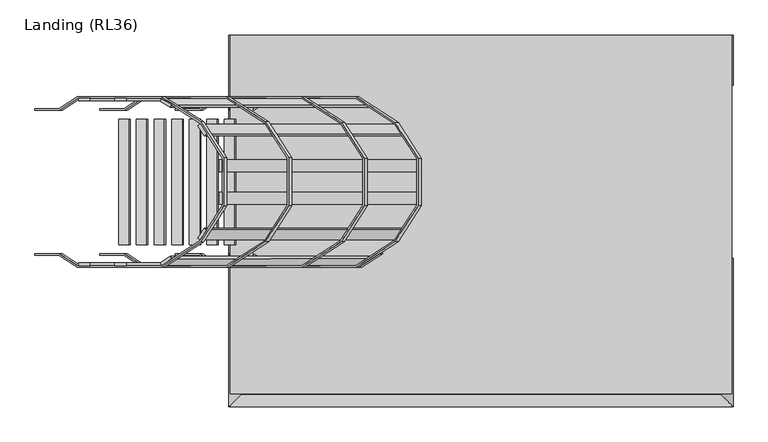
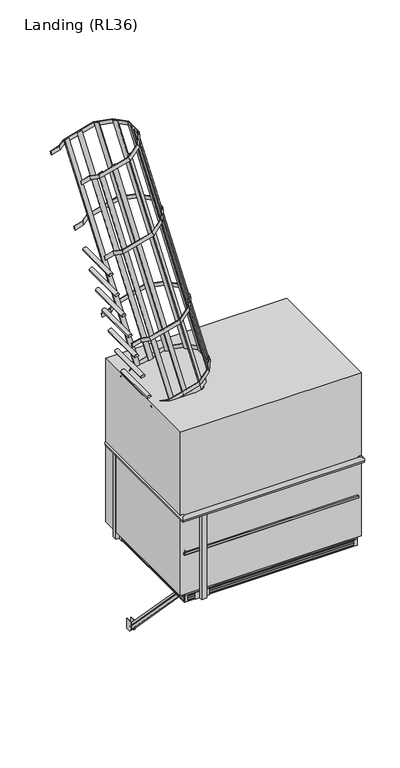
"""IFC4 building model written with IfcOpenShell, lengths in millimetres: proxy geometry, Landing (RL36)."""

from ifc_helpers import new_model, si_unit, point, frame, frame_2d, origin, place, context, project, spatial, polyline, circle_curve, ellipse_curve, trimmed, segment, composite_curve, outline, extrude, faceted_brep, source, transform, mapped, element, save
from ifc_brep_helpers import plane_surface, cylinder_surface, advanced_brep


def landing_rl36_4dc8eabb(model_context):
    return source(origin(), model_context, "Body", "SolidModel", [
        faceted_brep([(-1570.6646856, 123.4263393, 3650.8567388), (-1570.6646856, 140.7175481, 3667.5004794), (-1566.6646856, 140.7175481, 3667.5004794), (-1566.6646856, 148.2824519, 3674.7821159), (-1570.6646856, 148.2824519, 3674.7821159), (-1570.6646856, 165.5736607, 3691.4258565), (-1532.1646856, 165.5736607, 3691.4258565), (-1532.1646856, 148.2824519, 3674.7821159), (-1536.1646856, 148.2824519, 3674.7821159), (-1536.1646856, 140.7175481, 3667.5004794), (-1532.1646856, 140.7175481, 3667.5004794), (-1532.1646856, 123.4263393, 3650.8567388), (-1570.6646856, -983.0891868, 4801.2106317), (-1532.1646856, -983.0891868, 4801.2106317), (-1532.1646856, -965.3553906, 4817.381979), (-1536.1646856, -965.3553906, 4817.381979), (-1536.1646856, -957.5968548, 4824.4569434), (-1532.1646856, -957.5968548, 4824.4569434), (-1532.1646856, -939.8630585, 4840.6282906), (-1570.6646856, -939.8630585, 4840.6282906), (-1570.6646856, -957.5968548, 4824.4569434), (-1566.6646856, -957.5968548, 4824.4569434), (-1566.6646856, -965.3553906, 4817.381979), (-1570.6646856, -965.3553906, 4817.381979), (-1570.6646856, -969.3472449, 4786.140966), (-1570.6646856, -951.8315568, 4802.5514945), (-1566.6646856, -951.8315568, 4802.5514945), (-1566.6646856, -944.1684432, 4809.7311008), (-1570.6646856, -944.1684432, 4809.7311008), (-1570.6646856, -926.6527551, 4826.1416293), (-1532.1646856, -926.6527551, 4826.1416293), (-1532.1646856, -944.1684432, 4809.7311008), (-1536.1646856, -944.1684432, 4809.7311008), (-1536.1646856, -951.8315568, 4802.5514945), (-1532.1646856, -951.8315568, 4802.5514945), (-1532.1646856, -969.3472449, 4786.140966)], [[[0, 1, 2, 3, 4, 5, 6, 7, 8, 9, 10, 11]], [[12, 13, 14, 15, 16, 17, 18, 19, 20, 21, 22, 23]], [[1, 0, 24, 12, 23, 25]], [[2, 1, 25, 26]], [[3, 2, 26, 22, 21, 27]], [[4, 3, 27, 28]], [[5, 4, 28, 20, 19, 29]], [[6, 5, 29, 30]], [[7, 6, 30, 18, 17, 31]], [[8, 7, 31, 32]], [[9, 8, 32, 16, 15, 33]], [[10, 9, 33, 34]], [[11, 10, 34, 14, 13, 35]], [[0, 11, 35, 24]], [[26, 25, 23, 22]], [[28, 27, 21, 20]], [[30, 29, 19, 18]], [[32, 31, 17, 16]], [[34, 33, 15, 14]], [[24, 35, 13, 12]]]),
        extrude(outline(polyline([(102.0, 3761.1412976), (182.0, 3761.1412976), (182.0, 3641.1412976), (126.0, 3641.1412976), (102.0, 3665.1412976), (102.0, 3761.1412976)])), frame((-1532.1646856, 0.0, 0.0), z_axis=(1.0, 0.0, 0.0), x_axis=(0.0, 1.0, 0.0)), (0.0, 0.0, 1.0), 6.0),
        extrude(outline(polyline([(182.0, 4904.0), (182.0, 4784.0), (126.0, 4784.0), (102.0, 4808.0), (102.0, 4904.0), (182.0, 4904.0)])), frame((-1532.1646856, 0.0, 0.0), z_axis=(1.0, 0.0, 0.0), x_axis=(0.0, 1.0, 0.0)), (0.0, 0.0, 1.0), 6.0),
        extrude(outline(polyline([(-888.0, 4791.1412976), (-984.0, 4791.1412976), (-1008.0, 4815.1412976), (-1008.0, 4871.1412976), (-888.0, 4871.1412976), (-888.0, 4791.1412976)])), frame((-1532.1646856, 0.0, 0.0), z_axis=(1.0, 0.0, 0.0), x_axis=(0.0, 1.0, 0.0)), (0.0, 0.0, 1.0), 6.0),
        extrude(outline(polyline([(102.0, 3761.1412976), (182.0, 3761.1412976), (182.0, 3641.1412976), (126.0, 3641.1412976), (102.0, 3665.1412976), (102.0, 3761.1412976)])), frame((-1576.6646856, 0.0, 0.0), z_axis=(1.0, 0.0, 0.0), x_axis=(0.0, 1.0, 0.0)), (0.0, 0.0, 1.0), 6.0),
        extrude(outline(polyline([(182.0, 4904.0), (182.0, 4784.0), (126.0, 4784.0), (102.0, 4808.0), (102.0, 4904.0), (182.0, 4904.0)])), frame((-1576.6646856, 0.0, 0.0), z_axis=(1.0, 0.0, 0.0), x_axis=(0.0, 1.0, 0.0)), (0.0, 0.0, 1.0), 6.0),
        extrude(outline(polyline([(-888.0, 4791.1412976), (-984.0, 4791.1412976), (-1008.0, 4815.1412976), (-1008.0, 4871.1412976), (-888.0, 4871.1412976), (-888.0, 4791.1412976)])), frame((-1576.6646856, 0.0, 0.0), z_axis=(1.0, 0.0, 0.0), x_axis=(0.0, 1.0, 0.0)), (0.0, 0.0, 1.0), 6.0),
        extrude(outline(polyline([(-399.6646856, 93.5), (-399.6646856, -1229.5), (-438.1646856, -1229.5), (-438.1646856, 93.5), (-399.6646856, 93.5)])), frame((0.0, 0.0, 4925.5), z_axis=(0.0, 0.0, 1.0), x_axis=(1.0, 0.0, 0.0)), (0.0, 0.0, 1.0), 58.5),
        extrude(outline(polyline([(-338.9146856, -1229.5), (-338.9146856, -1239.5), (-498.9146856, -1239.5), (-498.9146856, -1229.5), (-338.9146856, -1229.5)])), frame((0.0, 0.0, 4904.0), z_axis=(0.0, 0.0, 1.0), x_axis=(1.0, 0.0, 0.0)), (0.0, 0.0, 1.0), 80.0),
        extrude(outline(polyline([(-338.9146856, 103.5), (-338.9146856, 93.5), (-498.9146856, 93.5), (-498.9146856, 103.5), (-338.9146856, 103.5)])), frame((0.0, 0.0, 4904.0), z_axis=(0.0, 0.0, 1.0), x_axis=(1.0, 0.0, 0.0)), (0.0, 0.0, 1.0), 80.0),
        extrude(outline(polyline([(258.5853144, -712.25), (297.0853144, -712.25), (297.0853144, -770.75), (258.5853144, -770.75), (258.5853144, -712.25)])), frame((0.0, 0.0, 4909.0), z_axis=(0.0, 0.0, 1.0), x_axis=(1.0, 0.0, 0.0)), (0.0, 0.0, 1.0), 1035.5),
        extrude(outline(polyline([(258.5853144, -661.5), (258.5853144, -821.5), (248.5853144, -821.5), (248.5853144, -661.5), (258.5853144, -661.5)])), frame((0.0, 0.0, 4904.0), z_axis=(0.0, 0.0, 1.0), x_axis=(1.0, 0.0, 0.0)), (0.0, 0.0, 1.0), 80.0),
        extrude(outline(polyline([(-1761.4146856, 12.75), (-1799.9146856, 12.75), (-1799.9146856, 71.25), (-1761.4146856, 71.25), (-1761.4146856, 12.75)])), frame((0.0, 0.0, 4909.0), z_axis=(0.0, 0.0, 1.0), x_axis=(1.0, 0.0, 0.0)), (0.0, 0.0, 1.0), 1035.5),
        extrude(outline(polyline([(-1761.4146856, -38.0), (-1761.4146856, 122.0), (-1751.4146856, 122.0), (-1751.4146856, -38.0), (-1761.4146856, -38.0)])), frame((0.0, 0.0, 4904.0), z_axis=(0.0, 0.0, 1.0), x_axis=(1.0, 0.0, 0.0)), (0.0, 0.0, 1.0), 80.0),
        extrude(outline(polyline([(258.5853144, 71.25), (297.0853144, 71.25), (297.0853144, 12.75), (258.5853144, 12.75), (258.5853144, 71.25)])), frame((0.0, 0.0, 4909.0), z_axis=(0.0, 0.0, 1.0), x_axis=(1.0, 0.0, 0.0)), (0.0, 0.0, 1.0), 1035.5),
        extrude(outline(polyline([(258.5853144, 122.0), (258.5853144, -38.0), (248.5853144, -38.0), (248.5853144, 122.0), (258.5853144, 122.0)])), frame((0.0, 0.0, 4904.0), z_axis=(0.0, 0.0, 1.0), x_axis=(1.0, 0.0, 0.0)), (0.0, 0.0, 1.0), 80.0),
        extrude(outline(polyline([(-1103.1646856, 93.5), (-1064.6646856, 93.5), (-1064.6646856, -1229.5), (-1103.1646856, -1229.5), (-1103.1646856, 93.5)])), frame((0.0, 0.0, 4925.5), z_axis=(0.0, 0.0, 1.0), x_axis=(1.0, 0.0, 0.0)), (0.0, 0.0, 1.0), 58.5),
        extrude(outline(polyline([(-1163.9146856, -1229.5), (-1003.9146856, -1229.5), (-1003.9146856, -1239.5), (-1163.9146856, -1239.5), (-1163.9146856, -1229.5)])), frame((0.0, 0.0, 4904.0), z_axis=(0.0, 0.0, 1.0), x_axis=(1.0, 0.0, 0.0)), (0.0, 0.0, 1.0), 80.0),
        extrude(outline(polyline([(-1163.9146856, 103.5), (-1003.9146856, 103.5), (-1003.9146856, 93.5), (-1163.9146856, 93.5), (-1163.9146856, 103.5)])), frame((0.0, 0.0, 4904.0), z_axis=(0.0, 0.0, 1.0), x_axis=(1.0, 0.0, 0.0)), (0.0, 0.0, 1.0), 80.0),
        extrude(outline(polyline([(-1522.1646856, -1288.0), (-1522.1646856, -1326.5), (-1580.6646856, -1326.5), (-1580.6646856, -1288.0), (-1522.1646856, -1288.0)])), frame((0.0, 0.0, 4909.0), z_axis=(0.0, 0.0, 1.0), x_axis=(1.0, 0.0, 0.0)), (0.0, 0.0, 1.0), 1035.5),
        extrude(outline(polyline([(-1471.4146856, -1288.0), (-1631.4146856, -1288.0), (-1631.4146856, -1278.0), (-1471.4146856, -1278.0), (-1471.4146856, -1288.0)])), frame((0.0, 0.0, 4904.0), z_axis=(0.0, 0.0, 1.0), x_axis=(1.0, 0.0, 0.0)), (0.0, 0.0, 1.0), 80.0),
        advanced_brep(
        [(-1727.1146856, 222.0, 5492.825729), (-1727.1146856, -1253.7, 5492.825729), (-1761.4146856, -1288.0, 5487.8343903), (-1761.4146856, 222.0, 5487.8343903), (-1727.1146856, -1253.7, 5507.591183), (-1727.1146856, 222.0, 5507.591183), (-1761.4146856, 222.0, 5512.5825217), (-1761.4146856, -1288.0, 5512.5825217), (258.5853144, -1288.0, 5512.5825217), (224.2853144, -1253.7, 5507.591183), (258.5853144, -1288.0, 5487.8343903), (224.2853144, -1253.7, 5492.825729), (224.2853144, -712.25, 5492.825729), (258.5853144, -712.25, 5487.8343903), (258.5853144, -712.25, 5512.5825217), (224.2853144, -712.25, 5507.591183), (-1731.1146856, 222.0, 5492.825729), (-1731.1146856, -1257.7, 5492.825729), (228.2853144, -1257.7, 5492.825729), (228.2853144, -712.25, 5492.825729), (228.2853144, -1257.7, 5507.591183), (228.2853144, -712.25, 5507.591183), (-1731.1146856, -1257.7, 5507.591183), (-1731.1146856, 222.0, 5507.591183)],
        [
            (0, 1),
            (1, 2, ellipse_curve(frame((-1745.7021906, -1272.287505, 5500.208456), z_axis=(-0.7071067811865475, 0.7071067811865475, 0.0), x_axis=(-0.7071067811865474, -0.7071067811865476, 0.0)), 28.2842712, 20.0)),
            (2, 3),
            (3, 0, circle_curve(frame((-1745.7021906, 222.0, 5500.208456), z_axis=(0.0, -1.0, 0.0), x_axis=(-1.0, 0.0, 0.0)), 20.0)),
            (4, 5),
            (5, 6, circle_curve(frame((-1745.7021906, 222.0, 5500.208456), z_axis=(0.0, -1.0, 0.0), x_axis=(-1.0, 0.0, 0.0)), 20.0)),
            (6, 7),
            (7, 4, ellipse_curve(frame((-1745.7021906, -1272.287505, 5500.208456), z_axis=(-0.7071067811865475, 0.7071067811865475, 0.0), x_axis=(-0.7071067811865474, -0.7071067811865476, 0.0)), 28.2842712, 20.0)),
            (8, 9, ellipse_curve(frame((242.8728194, -1272.287505, 5500.208456), z_axis=(-0.7071067811865475, -0.7071067811865475, 0.0), x_axis=(0.7071067811865476, -0.7071067811865474, 0.0)), 28.2842712, 20.0)),
            (9, 4),
            (7, 8),
            (10, 8),
            (7, 2),
            (2, 10),
            (10, 11, ellipse_curve(frame((242.8728194, -1272.287505, 5500.208456), z_axis=(0.7071067811865475, 0.7071067811865475, 0.0), x_axis=(-0.7071067811865474, 0.7071067811865476, 0.0)), 28.2842712, 20.0)),
            (11, 12),
            (12, 13, circle_curve(frame((242.8728194, -712.25, 5500.208456), z_axis=(0.0, -1.0, 0.0), x_axis=(1.0, 0.0, 0.0)), 20.0)),
            (13, 10),
            (8, 14),
            (14, 15, circle_curve(frame((242.8728194, -712.25, 5500.208456), z_axis=(0.0, -1.0, 0.0), x_axis=(1.0, 0.0, 0.0)), 20.0)),
            (15, 9),
            (13, 14),
            (11, 1),
            (0, 16),
            (16, 17),
            (17, 18),
            (18, 19),
            (19, 12),
            (18, 20),
            (20, 21),
            (21, 19),
            (20, 22),
            (22, 23),
            (23, 5),
            (15, 21),
            (17, 22),
            (6, 3),
            (16, 23),
        ],
        [
            cylinder_surface(frame((-1745.7021906, -1332.5, 5500.208456), z_axis=(0.0, -1.0, 0.0), x_axis=(-1.0, 0.0, 0.0)), 20.0),
            cylinder_surface(frame((303.0853144, -1272.287505, 5500.208456), z_axis=(1.0, 0.0, 0.0), x_axis=(0.0, -1.0, 0.0)), 20.0),
            plane_surface(frame((258.5853144, -1288.0, 5512.5825217), z_axis=(0.0, -1.0, 0.0), x_axis=(-1.0, 0.0, 0.0))),
            cylinder_surface(frame((242.8728194, 222.0, 5500.208456), z_axis=(0.0, 1.0, 0.0), x_axis=(1.0, 0.0, 0.0)), 20.0),
            plane_surface(frame((258.5853144, 222.0, 5512.5825217), z_axis=(1.0, 0.0, 0.0), x_axis=(0.0, -1.0, 0.0))),
            plane_surface(frame((224.2853144, 222.0, 5492.825729), z_axis=(0.0, 0.0, 1.0), x_axis=(0.0, -1.0, 0.0))),
            plane_surface(frame((228.2853144, 222.0, 5492.825729), z_axis=(-1.0, 0.0, 0.0), x_axis=(0.0, -1.0, 0.0))),
            plane_surface(frame((228.2853144, 222.0, 5507.591183), z_axis=(0.0, 0.0, -1.0), x_axis=(0.0, -1.0, 0.0))),
            plane_surface(frame((228.2853144, -1257.7, 5492.825729), z_axis=(0.0, 1.0, 0.0), x_axis=(-1.0, 0.0, 0.0))),
            plane_surface(frame((-1761.4146856, -1288.0, 5512.5825217), z_axis=(-1.0, 0.0, 0.0), x_axis=(0.0, 1.0, 0.0))),
            plane_surface(frame((-1731.1146856, -1257.7, 5492.825729), z_axis=(1.0, 0.0, 0.0), x_axis=(0.0, 1.0, 0.0))),
            plane_surface(frame((-1805.9146856, 222.0, 5990.0), z_axis=(0.0, 1.0, 0.0), x_axis=(0.0, 0.0, 1.0))),
            plane_surface(frame((205.0853144, -712.25, 5990.0), z_axis=(0.0, 1.0, 0.0), x_axis=(0.0, 0.0, -1.0))),
        ],
        [
            (0, [[1, 2, 3, 4]]),
            (0, [[5, 6, 7, 8]]),
            (1, [[9, 10, -8, 11]]),
            (2, [[12, -11, 13, 14]]),
            (3, [[15, 16, 17, 18]]),
            (3, [[-9, 19, 20, 21]]),
            (4, [[-12, -18, 22, -19]]),
            (5, [[23, -1, 24, 25, 26, 27, 28, -16]]),
            (6, [[29, 30, 31, -27]]),
            (7, [[32, 33, 34, -5, -10, -21, 35, -30]]),
            (1, [[-15, -14, -2, -23]]),
            (8, [[-26, 36, -32, -29]]),
            (9, [[-13, -7, 37, -3]]),
            (10, [[-25, 38, -33, -36]]),
            (11, [[-24, -4, -37, -6, -34, -38]]),
            (12, [[-20, -22, -17, -28, -31, -35]]),
        ],
    ),
        advanced_brep(
        [(258.5853144, 12.75, 5512.5825217), (224.2853144, 12.75, 5507.591183), (228.2853144, 12.75, 5507.591183), (228.2853144, 12.75, 5492.825729), (224.2853144, 12.75, 5492.825729), (258.5853144, 12.75, 5487.8343903), (224.2853144, 222.0, 5492.825729), (258.5853144, 222.0, 5487.8343903), (224.2853144, 222.0, 5507.591183), (258.5853144, 222.0, 5512.5825217), (228.2853144, 222.0, 5492.825729), (228.2853144, 222.0, 5507.591183)],
        [
            (0, 1, circle_curve(frame((242.8728194, 12.75, 5500.208456), z_axis=(0.0, -1.0, 0.0), x_axis=(1.0, 0.0, 0.0)), 20.0)),
            (1, 2),
            (2, 3),
            (3, 4),
            (4, 5, circle_curve(frame((242.8728194, 12.75, 5500.208456), z_axis=(0.0, -1.0, 0.0), x_axis=(1.0, 0.0, 0.0)), 20.0)),
            (5, 0),
            (6, 7, circle_curve(frame((242.8728194, 222.0, 5500.208456), z_axis=(0.0, -1.0, 0.0), x_axis=(1.0, 0.0, 0.0)), 20.0)),
            (7, 5),
            (4, 6),
            (8, 9, circle_curve(frame((242.8728194, 222.0, 5500.208456), z_axis=(0.0, 1.0, 0.0), x_axis=(1.0, 0.0, 0.0)), 20.0)),
            (9, 7),
            (6, 10),
            (10, 11),
            (11, 8),
            (8, 1),
            (0, 9),
            (3, 10),
            (2, 11),
        ],
        [
            plane_surface(frame((315.0853144, 12.75, 5990.0), z_axis=(0.0, -1.0, 0.0), x_axis=(0.0, 0.0, -1.0))),
            cylinder_surface(frame((242.8728194, 222.0, 5500.208456), z_axis=(0.0, 1.0, 0.0), x_axis=(1.0, 0.0, 0.0)), 20.0),
            plane_surface(frame((303.0853144, 222.0, 5990.0), z_axis=(0.0, 1.0, 0.0), x_axis=(0.0, 0.0, 1.0))),
            plane_surface(frame((258.5853144, 222.0, 5512.5825217), z_axis=(1.0, 0.0, 0.0), x_axis=(0.0, -1.0, 0.0))),
            plane_surface(frame((224.2853144, 222.0, 5492.825729), z_axis=(0.0, 0.0, 1.0), x_axis=(0.0, -1.0, 0.0))),
            plane_surface(frame((228.2853144, 222.0, 5492.825729), z_axis=(-1.0, 0.0, 0.0), x_axis=(0.0, -1.0, 0.0))),
            plane_surface(frame((228.2853144, 222.0, 5507.591183), z_axis=(0.0, 0.0, -1.0), x_axis=(0.0, -1.0, 0.0))),
        ],
        [
            (0, [[1, 2, 3, 4, 5, 6]]),
            (1, [[7, 8, -5, 9]]),
            (2, [[10, 11, -7, 12, 13, 14]]),
            (1, [[-10, 15, -1, 16]]),
            (3, [[-11, -16, -6, -8]]),
            (4, [[-12, -9, -4, 17]]),
            (5, [[-13, -17, -3, 18]]),
            (6, [[-14, -18, -2, -15]]),
        ],
    ),
        advanced_brep(
        [(278.0853144, 12.75, 5990.0), (257.0853144, 12.75, 5951.43534), (257.0853144, 12.75, 5933.0), (299.0853144, 12.75, 5933.0), (299.0853144, 12.75, 5951.43534), (257.0853144, 222.0, 5951.43534), (257.0853144, 222.0, 5933.0), (299.0853144, 222.0, 5951.43534), (299.0853144, 222.0, 5933.0)],
        [
            (0, 1, circle_curve(frame((278.0853144, 12.75, 5965.0), z_axis=(0.0, -1.0, 0.0), x_axis=(1.0, 0.0, 0.0)), 25.0)),
            (1, 2),
            (2, 3),
            (3, 4),
            (4, 0, circle_curve(frame((278.0853144, 12.75, 5965.0), z_axis=(0.0, -1.0, 0.0), x_axis=(1.0, 0.0, 0.0)), 25.0)),
            (5, 6),
            (6, 2),
            (1, 5),
            (5, 7, circle_curve(frame((278.0853144, 222.0, 5965.0), z_axis=(0.0, 1.0, 0.0), x_axis=(1.0, 0.0, 0.0)), 25.0)),
            (7, 8),
            (8, 6),
            (4, 7),
            (3, 8),
        ],
        [
            plane_surface(frame((315.0853144, 12.75, 5990.0), z_axis=(0.0, -1.0, 0.0), x_axis=(0.0, 0.0, -1.0))),
            plane_surface(frame((257.0853144, 222.0, 5933.0), z_axis=(-1.0, 0.0, 0.0), x_axis=(0.0, -1.0, 0.0))),
            plane_surface(frame((303.0853144, 222.0, 5990.0), z_axis=(0.0, 1.0, 0.0), x_axis=(0.0, 0.0, 1.0))),
            cylinder_surface(frame((278.0853144, 222.0, 5965.0), z_axis=(0.0, 1.0, 0.0), x_axis=(1.0, 0.0, 0.0)), 25.0),
            plane_surface(frame((299.0853144, 222.0, 5951.43534), z_axis=(1.0, 0.0, 0.0), x_axis=(0.0, -1.0, 0.0))),
            plane_surface(frame((299.0853144, 222.0, 5933.0), z_axis=(0.0, 0.0, -1.0), x_axis=(0.0, -1.0, 0.0))),
        ],
        [
            (0, [[1, 2, 3, 4, 5]]),
            (1, [[6, 7, -2, 8]]),
            (2, [[9, 10, 11, -6]]),
            (3, [[-9, -8, -1, -5, 12]]),
            (4, [[-10, -12, -4, 13]]),
            (5, [[-11, -13, -3, -7]]),
        ],
    ),
        faceted_brep([(238.5853144, 12.75, 5126.0), (225.5853144, 12.75, 5126.0), (225.5853144, 12.75, 5006.0), (238.5853144, 12.75, 5006.0), (225.5853144, 222.0, 5126.0), (225.5853144, 222.0, 5006.0), (238.5853144, 222.0, 5126.0), (238.5853144, 222.0, 5006.0)], [[[0, 1, 2, 3]], [[4, 5, 2, 1]], [[6, 4, 1, 0]], [[7, 6, 0, 3]], [[4, 6, 7, 5]], [[5, 7, 3, 2]]]),
        advanced_brep(
        [(-1801.9146856, -1328.5, 5951.43534), (-1759.9146856, -1286.5, 5951.43534), (-1759.9146856, 222.0, 5951.43534), (-1801.9146856, 222.0, 5951.43534), (299.0853144, -1328.5, 5951.43534), (257.0853144, -1286.5, 5951.43534), (299.0853144, -1328.5, 5933.0), (-1801.9146856, -1328.5, 5933.0), (257.0853144, -1286.5, 5933.0), (257.0853144, -712.25, 5951.43534), (257.0853144, -712.25, 5933.0), (299.0853144, -712.25, 5951.43534), (278.0853144, -712.25, 5990.0), (299.0853144, -712.25, 5933.0), (-1801.9146856, 222.0, 5933.0), (-1759.9146856, 222.0, 5933.0), (-1759.9146856, -1286.5, 5933.0)],
        [
            (0, 1, ellipse_curve(frame((-1780.9146856, -1307.5, 5965.0), z_axis=(-0.7071067811865475, 0.7071067811865475, 0.0), x_axis=(-0.7071067811865474, -0.7071067811865476, 0.0)), 35.3553391, 25.0)),
            (1, 2),
            (2, 3, circle_curve(frame((-1780.9146856, 222.0, 5965.0), z_axis=(0.0, -1.0, 0.0), x_axis=(-1.0, 0.0, 0.0)), 25.0)),
            (3, 0),
            (4, 5, ellipse_curve(frame((278.0853144, -1307.5, 5965.0), z_axis=(-0.7071067811865475, -0.7071067811865475, 0.0), x_axis=(0.7071067811865476, -0.7071067811865474, 0.0)), 35.3553391, 25.0)),
            (5, 1),
            (0, 4),
            (6, 4),
            (0, 7),
            (7, 6),
            (8, 5),
            (5, 9),
            (9, 10),
            (10, 8),
            (4, 11),
            (11, 12, circle_curve(frame((278.0853144, -712.25, 5965.0), z_axis=(0.0, -1.0, 0.0), x_axis=(1.0, 0.0, 0.0)), 25.0)),
            (12, 9, circle_curve(frame((278.0853144, -712.25, 5965.0), z_axis=(0.0, -1.0, 0.0), x_axis=(1.0, 0.0, 0.0)), 25.0)),
            (6, 13),
            (13, 11),
            (7, 14),
            (14, 15),
            (15, 16),
            (16, 8),
            (10, 13),
            (16, 1),
            (3, 14),
            (15, 2),
        ],
        [
            cylinder_surface(frame((-1780.9146856, -1332.5, 5965.0), z_axis=(0.0, -1.0, 0.0), x_axis=(-1.0, 0.0, 0.0)), 25.0),
            cylinder_surface(frame((303.0853144, -1307.5, 5965.0), z_axis=(1.0, 0.0, 0.0), x_axis=(0.0, -1.0, 0.0)), 25.0),
            plane_surface(frame((299.0853144, -1328.5, 5951.43534), z_axis=(0.0, -1.0, 0.0), x_axis=(-1.0, 0.0, 0.0))),
            plane_surface(frame((257.0853144, 222.0, 5933.0), z_axis=(-1.0, 0.0, 0.0), x_axis=(0.0, -1.0, 0.0))),
            cylinder_surface(frame((278.0853144, 222.0, 5965.0), z_axis=(0.0, 1.0, 0.0), x_axis=(1.0, 0.0, 0.0)), 25.0),
            plane_surface(frame((299.0853144, 222.0, 5951.43534), z_axis=(1.0, 0.0, 0.0), x_axis=(0.0, -1.0, 0.0))),
            plane_surface(frame((299.0853144, 222.0, 5933.0), z_axis=(0.0, 0.0, -1.0), x_axis=(0.0, -1.0, 0.0))),
            plane_surface(frame((257.0853144, -1286.5, 5933.0), z_axis=(0.0, 1.0, 0.0), x_axis=(-1.0, 0.0, 0.0))),
            plane_surface(frame((-1801.9146856, -1328.5, 5951.43534), z_axis=(-1.0, 0.0, 0.0), x_axis=(0.0, 1.0, 0.0))),
            plane_surface(frame((-1759.9146856, -1286.5, 5933.0), z_axis=(1.0, 0.0, 0.0), x_axis=(0.0, 1.0, 0.0))),
            plane_surface(frame((-1805.9146856, 222.0, 5990.0), z_axis=(0.0, 1.0, 0.0), x_axis=(0.0, 0.0, 1.0))),
            plane_surface(frame((205.0853144, -712.25, 5990.0), z_axis=(0.0, 1.0, 0.0), x_axis=(0.0, 0.0, -1.0))),
        ],
        [
            (0, [[1, 2, 3, 4]]),
            (1, [[5, 6, -1, 7]]),
            (2, [[8, -7, 9, 10]]),
            (3, [[11, 12, 13, 14]]),
            (4, [[-5, 15, 16, 17, -12]]),
            (5, [[-8, 18, 19, -15]]),
            (6, [[-10, 20, 21, 22, 23, -14, 24, -18]]),
            (7, [[-23, 25, -6, -11]]),
            (8, [[-20, -9, -4, 26]]),
            (9, [[-22, 27, -2, -25]]),
            (10, [[-21, -26, -3, -27]]),
            (11, [[-17, -16, -19, -24, -13]]),
        ],
    ),
        faceted_brep([(225.5853144, -1255.0, 5006.0), (225.5853144, -1255.0, 5126.0), (225.5853144, -712.25, 5126.0), (225.5853144, -712.25, 5006.0), (-1728.4146856, -1255.0, 5126.0), (-1728.4146856, 222.0, 5126.0), (-1741.4146856, 222.0, 5126.0), (-1741.4146856, -1268.0, 5126.0), (238.5853144, -1268.0, 5126.0), (238.5853144, -712.25, 5126.0), (238.5853144, -1268.0, 5006.0), (238.5853144, -712.25, 5006.0), (-1741.4146856, -1268.0, 5006.0), (-1741.4146856, 222.0, 5006.0), (-1728.4146856, 222.0, 5006.0), (-1728.4146856, -1255.0, 5006.0)], [[[0, 1, 2, 3]], [[1, 4, 5, 6, 7, 8, 9, 2]], [[8, 10, 11, 9]], [[10, 12, 13, 14, 15, 0, 3, 11]], [[8, 7, 12, 10]], [[4, 1, 0, 15]], [[7, 6, 13, 12]], [[5, 4, 15, 14]], [[6, 5, 14, 13]], [[2, 9, 11, 3]]]),
        extrude(outline(polyline([(0.25, 5990.0), (0.25, 5424.0), (-699.75, 5424.0), (-699.75, 5990.0), (0.25, 5990.0)]), holes=[polyline([(-641.75, 5932.0), (-641.75, 5482.0), (-57.75, 5482.0), (-57.75, 5932.0), (-641.75, 5932.0)])]), frame((259.0853144, 0.0, 0.0), z_axis=(1.0, 0.0, 0.0), x_axis=(0.0, 1.0, 0.0)), (0.0, 0.0, 1.0), 38.0),
        faceted_brep([(-1712.9146856, 139.0, 4911.0), (-1751.4146856, 139.0, 4911.0), (-1751.4146856, -1275.0, 4911.0), (-1712.9146856, -1275.0, 4911.0), (-1712.9146856, -1278.0, 4911.0), (210.0853144, -1278.0, 4911.0), (210.0853144, -1275.0, 4911.0), (248.5853144, -1275.0, 4911.0), (248.5853144, 139.0, 4911.0), (210.0853144, 139.0, 4911.0), (210.0853144, 142.0, 4911.0), (-1712.9146856, 142.0, 4911.0), (235.5853144, 129.0, 4911.0), (235.5853144, -1265.0, 4911.0), (-1738.4146856, -1265.0, 4911.0), (-1738.4146856, 129.0, 4911.0), (-1712.9146856, 142.0, 4904.0), (-1712.9146856, 139.0, 4904.0), (-1712.9146856, 139.0, 4949.0), (-1712.9146856, 139.0, 4967.0), (-1712.9146856, 142.0, 4967.0), (-1712.9146856, 142.0, 4949.0), (-1712.9146856, 139.0, 4921.0), (-1712.9146856, 139.0, 4939.0), (-1712.9146856, 142.0, 4939.0), (-1712.9146856, 142.0, 4921.0), (-1712.9146856, 139.0, 4984.0), (-1712.9146856, 142.0, 4984.0), (-1712.9146856, 142.0, 4977.0), (-1712.9146856, 139.0, 4977.0), (-1751.4146856, 139.0, 4967.0), (-1751.4146856, -1275.0, 4967.0), (-1712.9146856, -1275.0, 4967.0), (-1712.9146856, -1278.0, 4967.0), (210.0853144, -1278.0, 4967.0), (210.0853144, -1275.0, 4967.0), (248.5853144, -1275.0, 4967.0), (248.5853144, 139.0, 4967.0), (210.0853144, 139.0, 4967.0), (210.0853144, 142.0, 4967.0), (235.5853144, 129.0, 4967.0), (235.5853144, -1265.0, 4967.0), (-1738.4146856, -1265.0, 4967.0), (-1738.4146856, 129.0, 4967.0), (235.5853144, 129.0, 4977.0), (-1738.4146856, 129.0, 4977.0), (-1751.4146856, 139.0, 4921.0), (210.0853144, 142.0, 4921.0), (210.0853144, 139.0, 4921.0), (248.5853144, 139.0, 4921.0), (248.5853144, -1275.0, 4921.0), (210.0853144, -1275.0, 4921.0), (210.0853144, -1278.0, 4921.0), (-1712.9146856, -1278.0, 4921.0), (-1712.9146856, -1275.0, 4921.0), (-1751.4146856, -1275.0, 4921.0), (235.5853144, -1265.0, 4921.0), (235.5853144, 129.0, 4921.0), (-1738.4146856, 129.0, 4921.0), (-1738.4146856, -1265.0, 4921.0), (248.5853144, 139.0, 4949.0), (210.0853144, 139.0, 4949.0), (248.5853144, 139.0, 4939.0), (210.0853144, 139.0, 4939.0), (248.5853144, 139.0, 4904.0), (210.0853144, 139.0, 4904.0), (210.0853144, 139.0, 4984.0), (248.5853144, 139.0, 4984.0), (248.5853144, 139.0, 4977.0), (210.0853144, 139.0, 4977.0), (248.5853144, -1275.0, 4904.0), (248.5853144, -1275.0, 4984.0), (248.5853144, -1275.0, 4977.0), (248.5853144, -1275.0, 4949.0), (248.5853144, -1275.0, 4939.0), (-1712.9146856, -1239.5, 4984.0), (210.0853144, -1239.5, 4984.0), (210.0853144, -1239.5, 4904.0), (-1712.9146856, -1239.5, 4904.0), (-1751.4146856, -1275.0, 4939.0), (-1712.9146856, -1275.0, 4939.0), (-1751.4146856, -1275.0, 4904.0), (-1712.9146856, -1275.0, 4904.0), (-1712.9146856, -1275.0, 4984.0), (-1751.4146856, -1275.0, 4984.0), (-1751.4146856, -1275.0, 4977.0), (-1712.9146856, -1275.0, 4977.0), (-1751.4146856, -1275.0, 4949.0), (-1712.9146856, -1275.0, 4949.0), (210.0853144, 142.0, 4904.0), (210.0853144, -1275.0, 4904.0), (210.0853144, -1278.0, 4904.0), (-1712.9146856, -1278.0, 4904.0), (-1751.4146856, 139.0, 4904.0), (210.0853144, 103.5, 4904.0), (-1712.9146856, 103.5, 4904.0), (-1751.4146856, 139.0, 4984.0), (-1712.9146856, -1278.0, 4984.0), (210.0853144, -1278.0, 4984.0), (210.0853144, -1275.0, 4984.0), (210.0853144, 142.0, 4984.0), (210.0853144, 103.5, 4984.0), (-1712.9146856, 103.5, 4984.0), (-1751.4146856, 139.0, 4949.0), (-1751.4146856, 139.0, 4939.0), (-1751.4146856, 139.0, 4977.0), (210.0853144, -1275.0, 4977.0), (210.0853144, -1275.0, 4949.0), (210.0853144, -1275.0, 4939.0), (-1712.9146856, -1278.0, 4939.0), (-1712.9146856, -1278.0, 4977.0), (-1712.9146856, -1278.0, 4949.0), (210.0853144, -1278.0, 4949.0), (210.0853144, -1278.0, 4939.0), (210.0853144, -1278.0, 4977.0), (210.0853144, 142.0, 4939.0), (210.0853144, 142.0, 4977.0), (210.0853144, 142.0, 4949.0), (235.5853144, -1265.0, 4977.0), (-1738.4146856, -1265.0, 4977.0), (235.5853144, 129.0, 4949.0), (235.5853144, -1265.0, 4949.0), (235.5853144, -1265.0, 4939.0), (235.5853144, 129.0, 4939.0), (-1738.4146856, -1265.0, 4949.0), (-1738.4146856, -1265.0, 4939.0), (-1738.4146856, 129.0, 4949.0), (-1738.4146856, 129.0, 4939.0)], [[[0, 1, 2, 3, 4, 5, 6, 7, 8, 9, 10, 11], [12, 13, 14, 15]], [[16, 17, 0, 11]], [[18, 19, 20, 21]], [[22, 23, 24, 25]], [[26, 27, 28, 29]], [[19, 30, 31, 32, 33, 34, 35, 36, 37, 38, 39, 20], [40, 41, 42, 43]], [[44, 40, 43, 45]], [[46, 22, 25, 47, 48, 49, 50, 51, 52, 53, 54, 55], [56, 57, 58, 59]], [[37, 60, 61, 38]], [[62, 49, 48, 63]], [[64, 65, 9, 8]], [[66, 67, 68, 69]], [[70, 64, 8, 7]], [[67, 71, 72, 68]], [[36, 73, 60, 37]], [[74, 50, 49, 62]], [[75, 76, 77, 78]], [[79, 55, 54, 80]], [[81, 82, 3, 2]], [[83, 84, 85, 86]], [[31, 87, 88, 32]], [[17, 16, 89, 65, 64, 70, 90, 91, 92, 82, 81, 93], [94, 95, 78, 77]], [[26, 96, 84, 83, 97, 98, 99, 71, 67, 66, 100, 27], [101, 76, 75, 102]], [[17, 93, 1, 0]], [[19, 18, 103, 30]], [[23, 22, 46, 104]], [[96, 26, 29, 105]], [[93, 81, 2, 1]], [[30, 103, 87, 31]], [[84, 96, 105, 85]], [[104, 46, 55, 79]], [[90, 70, 7, 6]], [[71, 99, 106, 72]], [[35, 107, 73, 36]], [[108, 51, 50, 74]], [[76, 101, 94, 77]], [[102, 75, 78, 95]], [[101, 102, 95, 94]], [[80, 54, 53, 109]], [[82, 92, 4, 3]], [[97, 83, 86, 110]], [[32, 88, 111, 33]], [[33, 111, 112, 34]], [[109, 53, 52, 113]], [[92, 91, 5, 4]], [[98, 97, 110, 114]], [[99, 98, 114, 106]], [[91, 90, 6, 5]], [[107, 35, 34, 112]], [[51, 108, 113, 52]], [[63, 48, 47, 115]], [[65, 89, 10, 9]], [[100, 66, 69, 116]], [[38, 61, 117, 39]], [[39, 117, 21, 20]], [[115, 47, 25, 24]], [[89, 16, 11, 10]], [[27, 100, 116, 28]], [[44, 118, 41, 40]], [[57, 56, 13, 12]], [[41, 118, 119, 42]], [[13, 56, 59, 14]], [[42, 119, 45, 43]], [[14, 59, 58, 15]], [[105, 29, 28, 116, 69, 68, 72, 106, 114, 110, 86, 85], [118, 44, 45, 119]], [[57, 12, 15, 58]], [[120, 121, 122, 123]], [[122, 121, 124, 125]], [[125, 124, 126, 127]], [[103, 18, 21, 117, 61, 60, 73, 107, 112, 111, 88, 87], [121, 120, 126, 124]], [[23, 104, 79, 80, 109, 113, 108, 74, 62, 63, 115, 24], [123, 122, 125, 127]], [[120, 123, 127, 126]]]),
        extrude(outline(polyline([(248.5853144, 142.0), (248.5853144, -1278.0), (-1751.4146856, -1278.0), (-1751.4146856, 142.0), (248.5853144, 142.0)]), holes=[polyline([(189.5853144, 123.5), (-1692.4146856, 123.5), (-1692.4146856, -1259.5), (189.5853144, -1259.5), (189.5853144, 123.5)])]), frame((0.0, 0.0, 4984.0), z_axis=(0.0, 0.0, 1.0), x_axis=(1.0, 0.0, 0.0)), (0.0, 0.0, 1.0), 19.0),
        extrude(outline(polyline([(189.5853144, 123.5), (189.5853144, -1259.5), (-1692.4146856, -1259.5), (-1692.4146856, 123.5), (189.5853144, 123.5)])), frame((0.0, 0.0, 4984.0), z_axis=(0.0, 0.0, 1.0), x_axis=(1.0, 0.0, 0.0)), (0.0, 0.0, 1.0), 16.0),
        extrude(outline(polyline([(-1751.4146856, 142.0), (-1712.9146856, 142.0), (-1712.9146856, 139.0), (-1751.4146856, 139.0), (-1751.4146856, 142.0)])), frame((0.0, 0.0, 4904.0), z_axis=(0.0, 0.0, 1.0), x_axis=(1.0, 0.0, 0.0)), (0.0, 0.0, 1.0), 80.0),
        extrude(outline(polyline([(210.0853144, 142.0), (248.5853144, 142.0), (248.5853144, 139.0), (210.0853144, 139.0), (210.0853144, 142.0)])), frame((0.0, 0.0, 4904.0), z_axis=(0.0, 0.0, 1.0), x_axis=(1.0, 0.0, 0.0)), (0.0, 0.0, 1.0), 80.0),
        extrude(outline(polyline([(248.5853144, -1278.0), (210.0853144, -1278.0), (210.0853144, -1275.0), (248.5853144, -1275.0), (248.5853144, -1278.0)])), frame((0.0, 0.0, 4904.0), z_axis=(0.0, 0.0, 1.0), x_axis=(1.0, 0.0, 0.0)), (0.0, 0.0, 1.0), 80.0),
        extrude(outline(polyline([(-1712.9146856, -1278.0), (-1751.4146856, -1278.0), (-1751.4146856, -1275.0), (-1712.9146856, -1275.0), (-1712.9146856, -1278.0)])), frame((0.0, 0.0, 4904.0), z_axis=(0.0, 0.0, 1.0), x_axis=(1.0, 0.0, 0.0)), (0.0, 0.0, 1.0), 80.0),
        faceted_brep([(296.5853144, -1278.0, 7000.0), (296.5853144, -1278.0, 5000.0), (296.5853144, -712.25, 5000.0), (296.5853144, -712.25, 5990.0), (296.5853144, 12.75, 5990.0), (296.5853144, 12.75, 5000.0), (296.5853144, 222.0, 5000.0), (296.5853144, 222.0, 7000.0), (-1799.4146856, -1278.0, 5000.0), (-1799.4146856, 222.0, 5000.0), (205.0853144, 12.75, 5000.0), (205.0853144, -712.25, 5000.0), (-1799.4146856, 222.0, 7000.0), (-1799.4146856, -1278.0, 7000.0), (205.0853144, 12.75, 5990.0), (205.0853144, -712.25, 5990.0)], [[[0, 1, 2, 3, 4, 5, 6, 7]], [[8, 9, 6, 5, 10, 11, 2, 1]], [[0, 7, 12, 13]], [[14, 10, 5, 4]], [[13, 12, 9, 8]], [[1, 0, 13, 8]], [[7, 6, 9, 12]], [[15, 14, 4, 3]], [[14, 15, 11, 10]], [[11, 15, 3, 2]]]),
        extrude(outline(polyline([(93.4726835, 0.0), (200.3397115, 0.0), (508.9904877, -192.4528369), (550.1555665, -277.6331533), (637.7816912, -332.2706193), (634.6070834, -337.3619713), (545.5084226, -281.8063358), (504.3433439, -196.6260194), (198.6223694, -6.0), (93.6093924, -6.0), (93.4726835, 0.0)])), frame((-839.465113, -643.0, 6145.0286055), z_axis=(-0.2588190451025233, 0.0, 0.9659258262890678), x_axis=(-0.819644738667427, -0.5291012910595901, -0.21962314580635675)), (0.0, 0.0, 1.0), 50.0),
        extrude(outline(polyline([(0.0, 0.0), (12.0, 0.0), (12.0, -50.0), (0.0, -50.0), (0.0, 0.0)])), frame((-1300.2117322, -731.0, 6021.571921), z_axis=(-0.25881904510252324, 0.0, 0.9659258262890676), x_axis=(0.0, -1.0, 0.0)), (0.0, 0.0, 1.0), 1000.0),
        extrude(outline(polyline([(0.0, 155.1413289), (12.0, 155.1413289), (12.0, 105.1413289), (0.0, 105.1413289), (0.0, 155.1413289)])), frame((-1300.2117322, -731.0, 6021.571921), z_axis=(-0.25881904510252324, 0.0, 0.9659258262890676), x_axis=(0.0, -1.0, 0.0)), (0.0, 0.0, 1.0), 1000.0),
        extrude(outline(polyline([(-27.2832751, 345.6041694), (-17.100571, 351.953385), (9.3544935, 309.5254512), (-0.8282105, 303.1762357), (-27.2832751, 345.6041694)])), frame((-1300.2117322, -731.0, 6021.571921), z_axis=(-0.25881904510252324, 0.0, 0.9659258262890676), x_axis=(0.0, -1.0, 0.0)), (0.0, 0.0, 1.0), 1000.0),
        extrude(outline(polyline([(-14.2297192, 0.0), (-8.2281621, 0.0), (-10.6624744, -106.8392989), (-210.0960975, -411.0261264), (-296.1920067, -450.2402108), (-352.8113218, -536.5990181), (-357.8290387, -533.3092587), (-300.2582496, -445.4992124), (-214.1623404, -406.285128), (-16.6217984, -104.985729), (-14.2297192, 0.0)])), frame((-1157.5998774, -699.3376155, 7043.2970237), z_axis=(-0.2588190451025099, 0.0, 0.9659258262890713), x_axis=(0.529610590721753, -0.8362861558823576, 0.14190873008685906)), (0.0, 0.0, 1.0), 50.0),
        extrude(outline(polyline([(0.0, 0.0), (50.0, 0.0), (50.0, -12.0), (0.0, -12.0), (0.0, 0.0)])), frame((-1409.175761, -743.0, 7027.6512779), z_axis=(-0.25881904510252324, 0.0, 0.9659258262890676), x_axis=(-0.9659258262890676, 0.0, -0.25881904510252324)), (0.0, 0.0, 1.0), 3191.1047216),
        extrude(outline(polyline([(155.1413289, 0.0), (205.1413289, 0.0), (205.1413289, -12.0), (155.1413289, -12.0), (155.1413289, 0.0)])), frame((-1409.175761, -743.0, 7027.6512779), z_axis=(-0.25881904510252324, 0.0, 0.9659258262890676), x_axis=(-0.9659258262890676, 0.0, -0.25881904510252324)), (0.0, 0.0, 1.0), 3191.1047216),
        extrude(outline(polyline([(-689.6938017, 0.0), (-508.9999999, 0.0), (-326.6307118, -82.9303488), (-125.331423, -385.8857785), (-123.1191169, -480.465669), (-65.9701383, -566.4748818), (-70.9675427, -569.7954163), (-129.0768962, -482.3408393), (-131.2892023, -387.7609487), (-330.6777006, -87.6812588), (-510.3001578, -6.0), (-687.8821736, -6.0), (-851.4445075, -114.6792916), (-920.2481735, -278.3907082), (-914.5411146, -475.6303711), (-715.1526163, -775.7100611), (-628.8173361, -814.3942878), (-570.7079827, -901.8488647), (-575.7053871, -905.1693992), (-632.8543656, -819.1601865), (-719.1896458, -780.4759598), (-920.4889346, -477.5205301), (-926.2832673, -277.2646295), (-856.2739484, -110.6844829), (-689.6938017, 0.0)])), frame((-1595.6932752, -1066.9464732, 7878.9361835), z_axis=(-0.25881904510252324, 0.0, 0.9659258262890678), x_axis=(-0.5345650026725318, -0.8329007332923323, -0.14323626076804544)), (0.0, 0.0, 1.0), 50.0),
        extrude(outline(polyline([(-689.6938017, 0.0), (-509.0, 1e-07), (-326.6307118, -82.9303487), (-125.331423, -385.8857784), (-123.1191169, -480.465669), (-65.9701383, -566.4748818), (-70.9675427, -569.7954163), (-129.0768962, -482.3408392), (-131.2892023, -387.7609487), (-330.6777006, -87.6812587), (-510.3001578, -6.0), (-687.8821737, -5.9999999), (-851.4445076, -114.6792916), (-920.2481735, -278.3907081), (-914.5411146, -475.630371), (-715.1526164, -775.710061), (-628.8173362, -814.3942877), (-570.7079827, -901.8488647), (-575.7053871, -905.1693992), (-632.8543657, -819.1601864), (-719.1896459, -780.4759597), (-920.4889347, -477.52053), (-926.2832674, -277.2646294), (-856.2739484, -110.6844828), (-689.6938017, 0.0)])), frame((-1911.5954718, -1066.9464732, 9057.8992312), z_axis=(-0.25881904510252324, 0.0, 0.9659258262890678), x_axis=(-0.534565002672532, -0.832900733292332, -0.1432362607680455)), (0.0, 0.0, 1.0), 50.0),
        extrude(outline(polyline([(273.0, 0.0), (423.5, -100.0), (529.5, -270.0), (529.5, -633.735338), (479.0, -713.735338), (479.0, -817.0), (473.0, -817.0), (473.0, -712.0), (523.5, -632.0), (523.5, -271.7173422), (419.0965631, -104.277868), (271.1883719, -6.0), (74.8116281, -6.0), (-73.0965631, -104.277868), (-177.5, -271.7173422), (-177.5, -632.0), (-127.0, -712.0), (-127.0, -817.0), (-133.0, -817.0), (-133.0, -713.735338), (-183.5, -633.735338), (-183.5, -270.0), (-77.5, -100.0), (73.0, 0.0), (273.0, 0.0)])), frame((-1001.6915755, -219.5, 7136.8363363), z_axis=(-0.25881904510252324, 0.0, 0.9659258262890676), x_axis=(0.0, -1.0, 0.0)), (0.0, 0.0, 1.0), 50.0),
        extrude(outline(polyline([(-6.613021, 0.0), (5.3869789, 0.0), (5.3869789, -50.0), (-6.613021, -50.0), (-6.613021, 0.0)])), frame((-1013.8748183, -485.6883719, 7133.5718462), z_axis=(-0.25881904510252324, 0.0, 0.9659258262890676), x_axis=(-0.9659258262890676, 0.0, -0.25881904510252324)), (0.0, 0.0, 1.0), 3191.1047216),
        extrude(outline(polyline([(218.7828095, 218.028353), (212.433594, 228.2110571), (254.8615278, 254.6661216), (261.2107432, 244.4834176), (218.7828095, 218.028353)])), frame((-1013.8748183, -485.6883719, 7133.5718462), z_axis=(-0.25881904510252324, 0.0, 0.9659258262890676), x_axis=(-0.9659258262890676, 0.0, -0.25881904510252324)), (0.0, 0.0, 1.0), 3191.1047216),
        extrude(outline(polyline([(61.2266141, 107.0986509), (88.8977348, 148.7436876), (98.8925436, 142.1026186), (71.2214229, 100.4575819), (61.2266141, 107.0986509)])), frame((-1013.8748183, -485.6883719, 7133.5718462), z_axis=(-0.25881904510252324, 0.0, 0.9659258262890676), x_axis=(-0.9659258262890676, 0.0, -0.25881904510252324)), (0.0, 0.0, 1.0), 3191.1047216),
        extrude(outline(polyline([(-6.613021, -186.3767438), (-6.613021, -136.3767438), (5.3869789, -136.3767438), (5.3869789, -186.3767438), (-6.613021, -186.3767438)])), frame((-1013.8748183, -485.6883719, 7133.5718462), z_axis=(-0.25881904510252324, 0.0, 0.9659258262890676), x_axis=(-0.9659258262890676, 0.0, -0.25881904510252324)), (0.0, 0.0, 1.0), 3191.1047216),
        extrude(outline(polyline([(218.7828095, -404.4050968), (261.2107432, -430.8601614), (254.8615278, -441.0428654), (212.433594, -414.5878009), (218.7828095, -404.4050968)])), frame((-1013.8748183, -485.6883719, 7133.5718462), z_axis=(-0.25881904510252324, 0.0, 0.9659258262890676), x_axis=(-0.9659258262890676, 0.0, -0.25881904510252324)), (0.0, 0.0, 1.0), 3191.1047216),
        extrude(outline(polyline([(61.2266141, -293.4753947), (71.2214229, -286.8343257), (98.8925436, -328.4793624), (88.8977348, -335.1204314), (61.2266141, -293.4753947)])), frame((-1013.8748183, -485.6883719, 7133.5718462), z_axis=(-0.25881904510252324, 0.0, 0.9659258262890676), x_axis=(-0.9659258262890676, 0.0, -0.25881904510252324)), (0.0, 0.0, 1.0), 3191.1047216),
        extrude(outline(polyline([(409.2456501, -443.6883719), (409.2456501, -431.6883719), (459.2456501, -431.6883719), (459.2456501, -443.6883719), (409.2456501, -443.6883719)])), frame((-1013.8748183, -485.6883719, 7133.5718462), z_axis=(-0.25881904510252324, 0.0, 0.9659258262890676), x_axis=(-0.9659258262890676, 0.0, -0.25881904510252324)), (0.0, 0.0, 1.0), 3191.1047216),
        extrude(outline(polyline([(564.3869789, -443.6883719), (564.3869789, -431.6883719), (614.3869789, -431.6883719), (614.3869789, -443.6883719), (564.3869789, -443.6883719)])), frame((-1013.8748183, -485.6883719, 7133.5718462), z_axis=(-0.25881904510252324, 0.0, 0.9659258262890676), x_axis=(-0.9659258262890676, 0.0, -0.25881904510252324)), (0.0, 0.0, 1.0), 3191.1047216),
        extrude(outline(polyline([(-689.6938017, 0.0), (-508.9999999, 0.0), (-326.6307118, -82.9303487), (-125.331423, -385.8857785), (-123.1191169, -480.465669), (-65.9701383, -566.4748818), (-70.9675427, -569.7954163), (-129.0768962, -482.3408393), (-131.2892023, -387.7609487), (-330.6777006, -87.6812588), (-510.3001578, -6.0), (-687.8821736, -6.0), (-851.4445075, -114.6792916), (-920.2481735, -278.3907082), (-914.5411146, -475.6303711), (-715.1526163, -775.7100611), (-628.8173361, -814.3942878), (-570.7079827, -901.8488647), (-575.7053871, -905.1693992), (-632.8543656, -819.1601865), (-719.1896458, -780.4759598), (-920.4889347, -477.52053), (-926.2832673, -277.2646295), (-856.2739484, -110.6844828), (-689.6938017, 0.0)])), frame((-2183.3554691, -1066.9464732, 10072.1213488), z_axis=(-0.25881904510252324, 0.0, 0.9659258262890678), x_axis=(-0.5345650026725319, -0.832900733292332, -0.14323626076804546)), (0.0, 0.0, 1.0), 50.0),
        extrude(outline(composite_curve([segment(polyline([(8702.2309842, -2217.7828281), (8718.6517232, -2222.1827518)]), True, "CONTINUOUS"), segment(trimmed(circle_curve(frame_2d((8700.2991222, -2240.5589013)), 25.9711538), [point((8718.6517232, -2222.1827518))], [point((8707.0048662, -2265.649414))], False, "CARTESIAN"), True, "CONTINUOUS"), segment(polyline([(8707.0048662, -2265.649414), (8690.5841271, -2261.2494903), (8702.2309842, -2217.7828281)]), True, "CONTINUOUS")], self_intersect=False)), frame((0.0, -654.5, 0.0), z_axis=(0.0, 1.0, 0.0), x_axis=(0.0, 0.0, 1.0)), (0.0, 0.0, 1.0), 524.0),
        extrude(outline(composite_curve([segment(polyline([(8427.6163146, -2144.2000491), (8444.0370537, -2148.5999729)]), True, "CONTINUOUS"), segment(trimmed(circle_curve(frame_2d((8425.6844527, -2166.9761223)), 25.9711538), [point((8444.0370537, -2148.5999729))], [point((8432.3901966, -2192.0666351))], False, "CARTESIAN"), True, "CONTINUOUS"), segment(polyline([(8432.3901966, -2192.0666351), (8415.9694576, -2187.6667113), (8427.6163146, -2144.2000491)]), True, "CONTINUOUS")], self_intersect=False)), frame((0.0, -654.5, 0.0), z_axis=(0.0, 1.0, 0.0), x_axis=(0.0, 0.0, 1.0)), (0.0, 0.0, 1.0), 524.0),
        extrude(outline(composite_curve([segment(polyline([(8153.0016451, -2070.6172702), (8169.4223841, -2075.017194)]), True, "CONTINUOUS"), segment(trimmed(circle_curve(frame_2d((8151.0697831, -2093.3933434)), 25.9711538), [point((8169.4223841, -2075.017194))], [point((8157.7755271, -2118.4838562))], False, "CARTESIAN"), True, "CONTINUOUS"), segment(polyline([(8157.7755271, -2118.4838562), (8141.354788, -2114.0839324), (8153.0016451, -2070.6172702)]), True, "CONTINUOUS")], self_intersect=False)), frame((0.0, -654.5, 0.0), z_axis=(0.0, 1.0, 0.0), x_axis=(0.0, 0.0, 1.0)), (0.0, 0.0, 1.0), 524.0),
        extrude(outline(composite_curve([segment(polyline([(7878.3869755, -1997.0344913), (7894.8077146, -2001.434415)]), True, "CONTINUOUS"), segment(trimmed(circle_curve(frame_2d((7876.4551135, -2019.8105645)), 25.9711538), [point((7894.8077146, -2001.434415))], [point((7883.1608575, -2044.9010772))], False, "CARTESIAN"), True, "CONTINUOUS"), segment(polyline([(7883.1608575, -2044.9010772), (7866.7401185, -2040.5011535), (7878.3869755, -1997.0344913)]), True, "CONTINUOUS")], self_intersect=False)), frame((0.0, -654.5, 0.0), z_axis=(0.0, 1.0, 0.0), x_axis=(0.0, 0.0, 1.0)), (0.0, 0.0, 1.0), 524.0),
        extrude(outline(composite_curve([segment(polyline([(7603.772306, -1923.4517123), (7620.193045, -1927.8516361)]), True, "CONTINUOUS"), segment(trimmed(circle_curve(frame_2d((7601.840444, -1946.2277855)), 25.9711538), [point((7620.193045, -1927.8516361))], [point((7608.546188, -1971.3182983))], False, "CARTESIAN"), True, "CONTINUOUS"), segment(polyline([(7608.546188, -1971.3182983), (7592.1254489, -1966.9183745), (7603.772306, -1923.4517123)]), True, "CONTINUOUS")], self_intersect=False)), frame((0.0, -654.5, 0.0), z_axis=(0.0, 1.0, 0.0), x_axis=(0.0, 0.0, 1.0)), (0.0, 0.0, 1.0), 524.0),
        extrude(outline(composite_curve([segment(polyline([(7329.1576364, -1849.8689334), (7345.5783755, -1854.2688572)]), True, "CONTINUOUS"), segment(trimmed(circle_curve(frame_2d((7327.2257744, -1872.6450066)), 25.9711538), [point((7345.5783755, -1854.2688572))], [point((7333.9315184, -1897.7355193))], False, "CARTESIAN"), True, "CONTINUOUS"), segment(polyline([(7333.9315184, -1897.7355193), (7317.5107794, -1893.3355956), (7329.1576364, -1849.8689334)]), True, "CONTINUOUS")], self_intersect=False)), frame((0.0, -654.5, 0.0), z_axis=(0.0, 1.0, 0.0), x_axis=(0.0, 0.0, 1.0)), (0.0, 0.0, 1.0), 524.0),
        extrude(outline(composite_curve([segment(polyline([(7054.5429669, -1776.2861545), (7070.9637059, -1780.6860782)]), True, "CONTINUOUS"), segment(trimmed(circle_curve(frame_2d((7052.6111049, -1799.0622277)), 25.9711538), [point((7070.9637059, -1780.6860782))], [point((7059.3168489, -1824.1527404))], False, "CARTESIAN"), True, "CONTINUOUS"), segment(polyline([(7059.3168489, -1824.1527404), (7042.8961098, -1819.7528166), (7054.5429669, -1776.2861545)]), True, "CONTINUOUS")], self_intersect=False)), frame((0.0, -654.5, 0.0), z_axis=(0.0, 1.0, 0.0), x_axis=(0.0, 0.0, 1.0)), (0.0, 0.0, 1.0), 524.0),
        extrude(outline(composite_curve([segment(polyline([(6779.9282973, -1702.7033755), (6796.3490363, -1707.1032993)]), True, "CONTINUOUS"), segment(trimmed(circle_curve(frame_2d((6777.9964353, -1725.4794487)), 25.9711538), [point((6796.3490363, -1707.1032993))], [point((6784.7021793, -1750.5699615))], False, "CARTESIAN"), True, "CONTINUOUS"), segment(polyline([(6784.7021793, -1750.5699615), (6768.2814403, -1746.1700377), (6779.9282973, -1702.7033755)]), True, "CONTINUOUS")], self_intersect=False)), frame((0.0, -654.5, 0.0), z_axis=(0.0, 1.0, 0.0), x_axis=(0.0, 0.0, 1.0)), (0.0, 0.0, 1.0), 524.0),
        extrude(outline(composite_curve([segment(polyline([(6505.3136277, -1629.1205966), (6521.7343668, -1633.5205204)]), True, "CONTINUOUS"), segment(trimmed(circle_curve(frame_2d((6503.3817658, -1651.8966698)), 25.9711538), [point((6521.7343668, -1633.5205204))], [point((6510.0875098, -1676.9871825))], False, "CARTESIAN"), True, "CONTINUOUS"), segment(polyline([(6510.0875098, -1676.9871825), (6493.6667707, -1672.5872588), (6505.3136277, -1629.1205966)]), True, "CONTINUOUS")], self_intersect=False)), frame((0.0, -654.5, 0.0), z_axis=(0.0, 1.0, 0.0), x_axis=(0.0, 0.0, 1.0)), (0.0, 0.0, 1.0), 524.0),
        extrude(outline(composite_curve([segment(polyline([(6230.6989582, -1555.5378177), (6247.1196972, -1559.9377414)]), True, "CONTINUOUS"), segment(trimmed(circle_curve(frame_2d((6228.7670962, -1578.3138909)), 25.9711538), [point((6247.1196972, -1559.9377414))], [point((6235.4728402, -1603.4044036))], False, "CARTESIAN"), True, "CONTINUOUS"), segment(polyline([(6235.4728402, -1603.4044036), (6219.0521012, -1599.0044798), (6230.6989582, -1555.5378177)]), True, "CONTINUOUS")], self_intersect=False)), frame((0.0, -654.5, 0.0), z_axis=(0.0, 1.0, 0.0), x_axis=(0.0, 0.0, 1.0)), (0.0, 0.0, 1.0), 524.0),
        extrude(outline(composite_curve([segment(polyline([(5956.0842886, -1481.9550387), (5972.5050277, -1486.3549625)]), True, "CONTINUOUS"), segment(trimmed(circle_curve(frame_2d((5954.1524267, -1504.7311119)), 25.9711538), [point((5972.5050277, -1486.3549625))], [point((5960.8581707, -1529.8216247))], False, "CARTESIAN"), True, "CONTINUOUS"), segment(polyline([(5960.8581707, -1529.8216247), (5944.4374316, -1525.4217009), (5956.0842886, -1481.9550387)]), True, "CONTINUOUS")], self_intersect=False)), frame((0.0, -654.5, 0.0), z_axis=(0.0, 1.0, 0.0), x_axis=(0.0, 0.0, 1.0)), (0.0, 0.0, 1.0), 524.0),
        extrude(outline(composite_curve([segment(polyline([(5681.4696191, -1408.3722598), (5697.8903581, -1412.7721835)]), True, "CONTINUOUS"), segment(trimmed(circle_curve(frame_2d((5679.5377571, -1431.148333)), 25.9711538), [point((5697.8903581, -1412.7721835))], [point((5686.2435011, -1456.2388457))], False, "CARTESIAN"), True, "CONTINUOUS"), segment(polyline([(5686.2435011, -1456.2388457), (5669.8227621, -1451.838922), (5681.4696191, -1408.3722598)]), True, "CONTINUOUS")], self_intersect=False)), frame((0.0, -654.5, 0.0), z_axis=(0.0, 1.0, 0.0), x_axis=(0.0, 0.0, 1.0)), (0.0, 0.0, 1.0), 524.0),
    ])


if __name__ == "__main__":
    model = new_model("IFC4")
    model_context = context("Model", 3, world=origin())
    ifc_project = project(units=[si_unit("LENGTHUNIT", "METRE", prefix="MILLI")], contexts=[model_context])
    site = spatial("IfcSite", under=ifc_project)
    building = spatial("IfcBuilding", under=site)
    placement = place(None, origin())
    landing_rl36_shape = landing_rl36_4dc8eabb(model_context)
    element("IfcBuildingElementProxy", 1, Name="Landing (RL36)", ObjectType="Landing (RL36)", at=placement, inside=building, context=model_context, shape_type="MappedRepresentation", body=[
        mapped(landing_rl36_shape, transform((0.0, 0.0, 0.0), x_axis=(1.0, 0.0, 0.0), y_axis=(0.0, 1.0, 0.0), z_axis=(0.0, 0.0, 1.0))),
    ])
    save(model, "model.ifc")
